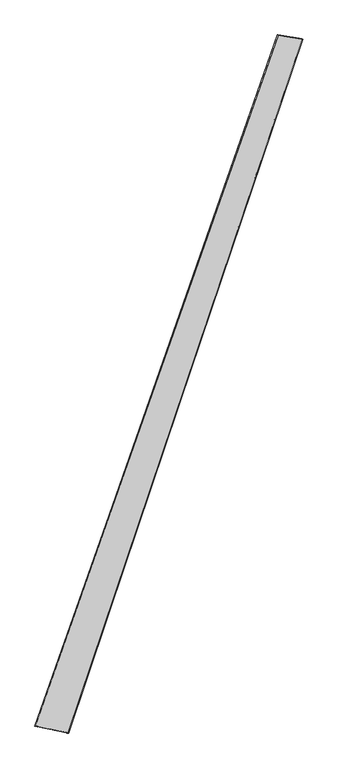
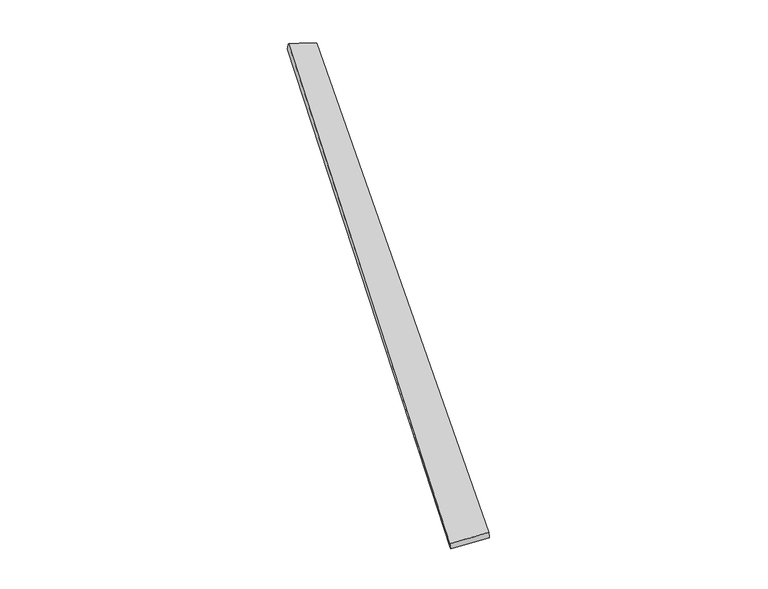
"""IFC4 building model written with IfcOpenShell, lengths in millimetres: proxy geometry."""

from ifc_helpers import new_model, si_unit, origin, place, context, project, spatial, source, transform, mapped, element, save
from ifc_brep_helpers import spline_surface, advanced_brep


def generic_models_9d7ac036(model_context):
    return source(origin(), model_context, "Body", "AdvancedBrep", [
        advanced_brep(
        [(-677.4830301, -1716.290343, -11.2662492), (-681.3683954, -1715.1390932, 18.4588002), (673.1064132, 2124.1948562, 45.3979674), (668.3604883, 2126.0657045, 15.8348802), (-495.4478689, -1753.1863606, 41.0882447), (810.0788107, 2101.9738325, 12.8920876), (-492.6282859, -1754.3413699, 11.2433807), (801.7508277, 2104.5660084, -15.8120118)],
        [
            (0, 1),
            (1, 2),
            (2, 3),
            (3, 0),
            (1, 4),
            (4, 5),
            (5, 2),
            (4, 6),
            (6, 7),
            (7, 5),
            (6, 0),
            (3, 7),
        ],
        [
            spline_surface(1, 1, [[(-677.4830301, -1716.290343, -11.2662492), (668.3604883, 2126.0657045, 15.8348802)], [(-681.3683954, -1715.1390932, 18.4588002), (673.1064132, 2124.1948562, 45.3979674)]], [2, 2], [2, 2], [0.0, 1.0], [0.0, 1.0]),
            spline_surface(1, 1, [[(-681.3683954, -1715.1390932, 18.4588002), (673.1064132, 2124.1948562, 45.3979674)], [(-495.4478689, -1753.1863606, 41.0882447), (810.0788107, 2101.9738325, 12.8920876)]], [2, 2], [2, 2], [0.0, 1.0], [0.0, 1.0]),
            spline_surface(1, 1, [[(-495.4478689, -1753.1863606, 41.0882447), (810.0788107, 2101.9738325, 12.8920876)], [(-492.6282859, -1754.3413699, 11.2433807), (801.7508277, 2104.5660084, -15.8120118)]], [2, 2], [2, 2], [0.0, 1.0], [0.0, 1.0]),
            spline_surface(1, 1, [[(-492.6282859, -1754.3413699, 11.2433807), (801.7508277, 2104.5660084, -15.8120118)], [(-677.4830301, -1716.290343, -11.2662492), (668.3604883, 2126.0657045, 15.8348802)]], [2, 2], [2, 2], [0.0, 1.0], [0.0, 1.0]),
            spline_surface(1, 1, [[(673.1064132, 2124.1948562, 45.3979674), (668.3604883, 2126.0657045, 15.8348802)], [(810.0788107, 2101.9738325, 12.8920876), (801.7508277, 2104.5660084, -15.8120118)]], [2, 2], [2, 2], [0.0, 1.0], [0.0, 1.0]),
            spline_surface(1, 1, [[(-492.6282859, -1754.3413699, 11.2433807), (-677.4830301, -1716.290343, -11.2662492)], [(-495.4478689, -1753.1863606, 41.0882447), (-681.3683954, -1715.1390932, 18.4588002)]], [2, 2], [2, 2], [0.0, 1.0], [0.0, 1.0]),
        ],
        [
            (0, [[1, 2, 3, 4]]),
            (1, [[5, 6, 7, -2]]),
            (2, [[8, 9, 10, -6]]),
            (3, [[11, -4, 12, -9]]),
            (4, [[-3, -7, -10, -12]]),
            (5, [[-11, -8, -5, -1]]),
        ],
    ),
    ])


if __name__ == "__main__":
    model = new_model("IFC4")
    model_context = context("Model", 3, world=origin())
    ifc_project = project(units=[si_unit("LENGTHUNIT", "METRE", prefix="MILLI")], contexts=[model_context])
    site = spatial("IfcSite", under=ifc_project)
    building = spatial("IfcBuilding", under=site)
    placement = place(None, origin())
    generic_models_shape = generic_models_9d7ac036(model_context)
    element("IfcBuildingElementProxy", 1, Name="Generic Models", at=placement, inside=building, context=model_context, shape_type="MappedRepresentation", body=[
        mapped(generic_models_shape, transform((0.0, 0.0, 0.0), x_axis=(1.0, 0.0, 0.0), y_axis=(0.0, 1.0, 0.0), z_axis=(0.0, 0.0, 1.0))),
    ])
    save(model, "model.ifc")
